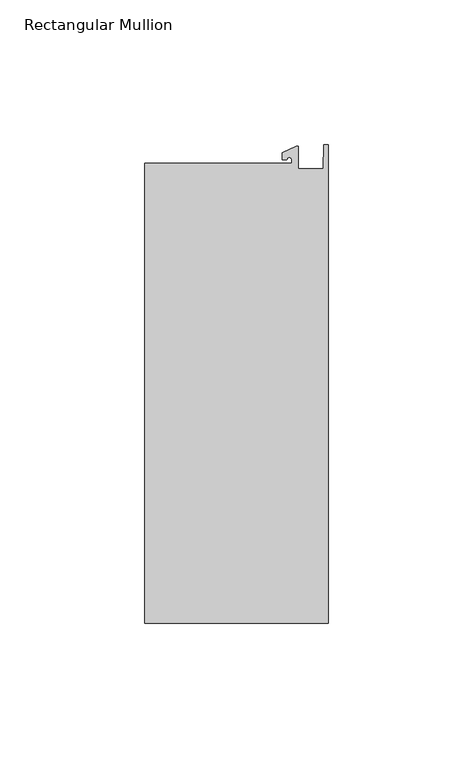
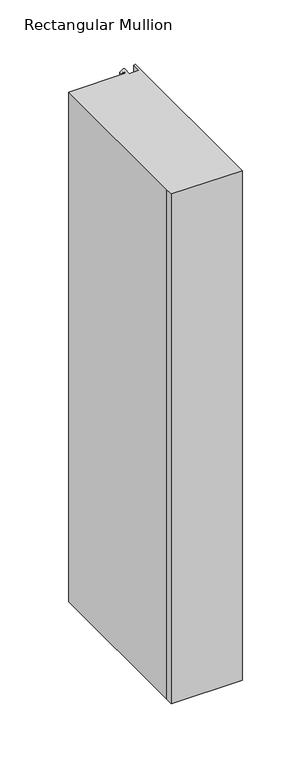
"""IFC4 building model written with IfcOpenShell, lengths in millimetres: member geometry, Rectangular Mullion."""

from ifc_helpers import new_model, si_unit, point, frame, frame_2d, origin, place, context, project, spatial, polyline, circle_curve, trimmed, segment, composite_curve, outline, extrude, source, transform, mapped, element, save


def rectangular_mullion_75bd91c0(model_context):
    return source(origin(), model_context, "Body", "SweptSolid", [
        extrude(outline(composite_curve([segment(polyline([(-12.6173814, 25.796875), (-12.6173814, 27.0827507)]), True, "CONTINUOUS"), segment(trimmed(circle_curve(frame_2d((-13.4111314, 27.0827507)), 0.79375), [point((-12.6173814, 27.0827507))], [point((-14.2048814, 27.0827507))], True, "CARTESIAN"), True, "CONTINUOUS"), segment(polyline([(-14.2048814, 27.0827507), (-15.7923814, 27.0827507), (-15.7923814, 29.44495), (-10.9524715, 31.7018371)]), True, "CONTINUOUS"), segment(trimmed(circle_curve(frame_2d((-10.7377814, 31.2414327)), 0.508), [point((-10.9524715, 31.7018371))], [point((-10.2297814, 31.2414327))], False, "CARTESIAN"), True, "CONTINUOUS"), segment(polyline([(-10.2297814, 31.2414327), (-10.2297814, 23.9227662), (-1.7144124, 23.9227662), (-1.5658966, 32.288874), (0.0, 32.288874), (0.0, -133.34365), (-63.5, -133.34365), (-63.5, -125.8081374), (-63.5, 25.796875), (-12.6173814, 25.796875)]), True, "CONTINUOUS")], self_intersect=False)), frame((0.0, 0.0, -482.6), z_axis=(0.0, 0.0, 1.0), x_axis=(1.0, 0.0, 0.0)), (0.0, 0.0, 1.0), 482.6),
    ])


if __name__ == "__main__":
    model = new_model("IFC4")
    model_context = context("Model", 3, world=origin())
    ifc_project = project(units=[si_unit("LENGTHUNIT", "METRE", prefix="MILLI")], contexts=[model_context])
    site = spatial("IfcSite", under=ifc_project)
    building = spatial("IfcBuilding", under=site)
    placement = place(None, origin())
    rectangular_mullion_shape = rectangular_mullion_75bd91c0(model_context)
    element("IfcMember", 1, ObjectType="Rectangular Mullion", at=placement, inside=building, context=model_context, shape_type="MappedRepresentation", body=[
        mapped(rectangular_mullion_shape, transform((0.0, 0.0, 0.0), x_axis=(1.0, 0.0, 0.0), y_axis=(0.0, 1.0, 0.0), z_axis=(0.0, 0.0, 1.0))),
    ])
    save(model, "model.ifc")
